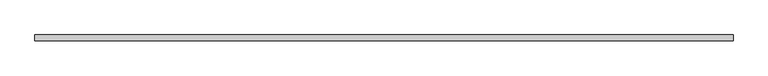
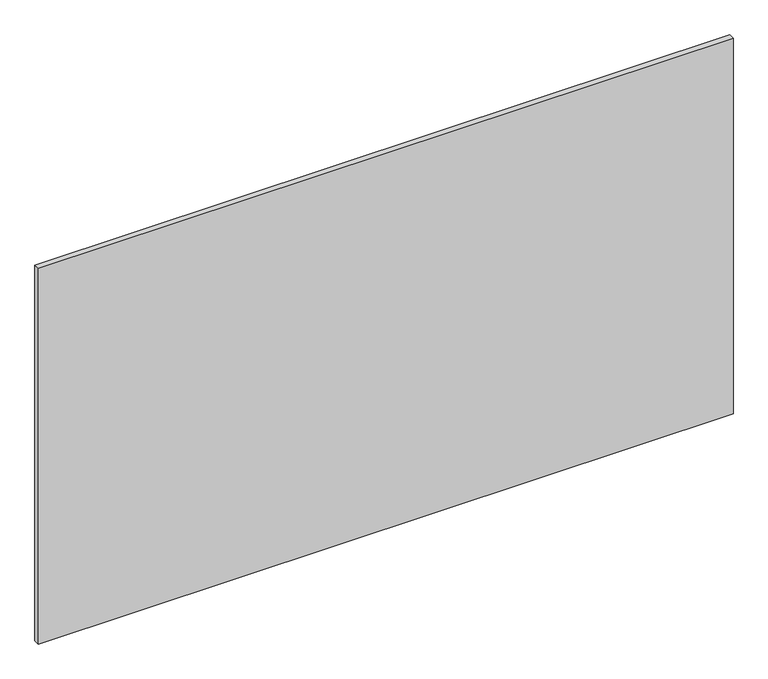
"""IFC4 building model written with IfcOpenShell, lengths in millimetres: plate geometry."""

import ifcopenshell
import ifcopenshell.guid

model = None  # the IFC model being written
_history = None  # IfcOwnerHistory: only IFC2X3 demands one
_inside = {}  # id of a spatial element -> (the spatial element, [elements in it])
_under = {}  # id of a project, library or spatial element -> (it, [spatial elements below it])
_declared = {}  # id of a project -> (the project, [libraries it declares])
_typed = {}  # id of a type object -> (the type object, [elements of that type])
_made_of = {}  # id of a material, layer set ... -> (it, [elements and type objects made of it])


def new_model(schema):
    """Start an empty IFC model of exactly this schema.

    Asked for "IFC4X3", IfcOpenShell would pick the latest addendum, in which some entities
    have other attributes; the version numbers below select the first issue.
    IFC2X3 requires an IfcOwnerHistory on every rooted entity: one is made here for all.
    """
    global model, _history
    if schema == "IFC4X3":
        model = ifcopenshell.file(schema_version=(4, 3, 0, 0))
    else:
        model = ifcopenshell.file(schema=schema)
    _inside.clear()
    _under.clear()
    _declared.clear()
    _typed.clear()
    _made_of.clear()
    _history = None
    if model.schema == "IFC2X3":
        org = make("IfcOrganization", Name="unknown")
        user = make(
            "IfcPersonAndOrganization",
            ThePerson=make("IfcPerson", FamilyName="unknown"),
            TheOrganization=org,
        )
        app = make(
            "IfcApplication",
            ApplicationDeveloper=org,
            Version="unknown",
            ApplicationFullName="unknown",
            ApplicationIdentifier="unknown",
        )
        _history = make(
            "IfcOwnerHistory",
            OwningUser=user,
            OwningApplication=app,
            ChangeAction="ADDED",
            CreationDate=0,
        )
    return model


def make(cls, **values):
    """One entity of the class cls with the attributes given. An attribute that is None is left unset."""
    return model.create_entity(
        cls, **{name: value for name, value in values.items() if value is not None}
    )


def rooted(cls, **values):
    """An entity with a GlobalId (a new one), such as an element, a storey or a relation."""
    return make(cls, GlobalId=ifcopenshell.guid.new(), OwnerHistory=_history, **values)


def si_unit(unit_type, name, prefix=None):
    """IfcSIUnit, for example si_unit("LENGTHUNIT", "METRE", prefix="MILLI")."""
    return make("IfcSIUnit", UnitType=unit_type, Prefix=prefix, Name=name)


def assignment(units):
    """IfcUnitAssignment: the units of a project."""
    return None if units is None else make("IfcUnitAssignment", Units=units)


def point(xyz):
    """IfcCartesianPoint."""
    return None if xyz is None else make("IfcCartesianPoint", Coordinates=xyz)


def direction(xyz):
    """IfcDirection."""
    return None if xyz is None else make("IfcDirection", DirectionRatios=xyz)


def frame(location, z_axis=None, x_axis=None):
    """IfcAxis2Placement3D, a coordinate frame: its origin and axes. An axis left out is left unset."""
    return make(
        "IfcAxis2Placement3D",
        Location=point(location),
        Axis=direction(z_axis),
        RefDirection=direction(x_axis),
    )


def origin():
    """The frame at (0, 0, 0) with its axes left unset."""
    return frame((0.0, 0.0, 0.0))


def origin_with_axes():
    """The frame at (0, 0, 0) with the z axis (0, 0, 1) and the x axis (1, 0, 0) written out."""
    return frame((0.0, 0.0, 0.0), z_axis=(0.0, 0.0, 1.0), x_axis=(1.0, 0.0, 0.0))


def place(relative_to, where):
    """IfcLocalPlacement: puts the frame where relative to a parent placement (None: the world)."""
    return make(
        "IfcLocalPlacement", PlacementRelTo=relative_to, RelativePlacement=where
    )


def context(
    kind, dimensions, precision=None, world=None, true_north=None, identifier=None
):
    """IfcGeometricRepresentationContext, for example the 3D "Model" context."""
    return make(
        "IfcGeometricRepresentationContext",
        ContextIdentifier=identifier,
        ContextType=kind,
        CoordinateSpaceDimension=dimensions,
        Precision=precision,
        WorldCoordinateSystem=world,
        TrueNorth=true_north,
    )


def project(units=None, contexts=None):
    """IfcProject with its units and contexts."""
    return rooted(
        "IfcProject",
        Name="project",
        RepresentationContexts=contexts,
        UnitsInContext=assignment(units),
    )


def spatial(cls, under=None, at=None, **own):
    """A site, building, storey or space (cls), placed at a placement, below another one or the project."""
    s = rooted(cls, ObjectPlacement=at, **own)
    if under is not None:
        _under.setdefault(under.id(), (under, []))[1].append(s)
    return s


def polyline(points):
    """IfcPolyline through the points."""
    return make("IfcPolyline", Points=[point(p) for p in points])


def outline(outer, holes=None, kind="AREA"):
    """IfcArbitraryClosedProfileDef: a profile drawn as a closed curve; with holes, ...WithVoids."""
    if holes is None:
        return make("IfcArbitraryClosedProfileDef", ProfileType=kind, OuterCurve=outer)
    return make(
        "IfcArbitraryProfileDefWithVoids",
        ProfileType=kind,
        OuterCurve=outer,
        InnerCurves=holes,
    )


def extrude(swept, where, along, depth):
    """IfcExtrudedAreaSolid: the profile swept, set in the frame where, extruded along a direction by depth."""
    return make(
        "IfcExtrudedAreaSolid",
        SweptArea=swept,
        Position=where,
        ExtrudedDirection=direction(along),
        Depth=depth,
    )


def shape(context_of_items, identifier, shape_type, items):
    """IfcShapeRepresentation: the items that make up one representation, for example the "Body"."""
    return make(
        "IfcShapeRepresentation",
        ContextOfItems=context_of_items,
        RepresentationIdentifier=identifier,
        RepresentationType=shape_type,
        Items=items,
    )


def source(mapping_origin, context_of_items, identifier, shape_type, items):
    """IfcRepresentationMap: a shape defined once, which mapped items show again and again."""
    return make(
        "IfcRepresentationMap",
        MappingOrigin=mapping_origin,
        MappedRepresentation=shape(context_of_items, identifier, shape_type, items),
    )


def transform(
    local_origin,
    x_axis=None,
    y_axis=None,
    z_axis=None,
    scale=None,
    scale2=None,
    scale3=None,
    uniform=True,
):
    """IfcCartesianTransformationOperator3D, or its non-uniform kind. x_axis, y_axis, z_axis: its Axis1, 2, 3."""
    if uniform:
        return make(
            "IfcCartesianTransformationOperator3D",
            Axis1=direction(x_axis),
            Axis2=direction(y_axis),
            LocalOrigin=point(local_origin),
            Scale=scale,
            Axis3=direction(z_axis),
        )
    return make(
        "IfcCartesianTransformationOperator3DnonUniform",
        Axis1=direction(x_axis),
        Axis2=direction(y_axis),
        LocalOrigin=point(local_origin),
        Scale=scale,
        Axis3=direction(z_axis),
        Scale2=scale2,
        Scale3=scale3,
    )


def mapped(mapping_source, mapping_target):
    """IfcMappedItem: shows the shape of a source again, moved by a transform."""
    return make(
        "IfcMappedItem", MappingSource=mapping_source, MappingTarget=mapping_target
    )


def made_of(thing, what):
    """Note that an element or type object is made of a material, layer set ...; save() writes the relation."""
    if what is not None:
        _made_of.setdefault(what.id(), (what, []))[1].append(thing)
    return thing


def element(
    cls,
    number,
    at=None,
    inside=None,
    cuts=None,
    type_object=None,
    material=None,
    context=None,
    identifier="Body",
    shape_type=None,
    held_by="IfcProductDefinitionShape",
    body=None,
    shapes=None,
    **own,
):
    """One element of the class cls, such as IfcWall. Its Tag is "e" and its number.

    at: its placement. inside: the storey or other place that contains it. cuts: it is an
    opening in that element (IfcRelVoidsElement). A single representation is given by context,
    identifier, shape_type and body (its items); several are given by shapes. held_by: the class
    of the entity that holds the representations. save() writes the other relations.
    """
    e = rooted(cls, Tag="e%d" % number, ObjectPlacement=at, **own)
    if body is not None:
        shapes = [shape(context, identifier, shape_type, body)]
    if shapes is not None:
        e.Representation = make(held_by, Representations=shapes)
    if inside is not None:
        _inside.setdefault(inside.id(), (inside, []))[1].append(e)
    if cuts is not None:
        rooted(
            "IfcRelVoidsElement", RelatingBuildingElement=cuts, RelatedOpeningElement=e
        )
    if type_object is not None:
        _typed.setdefault(type_object.id(), (type_object, []))[1].append(e)
    return made_of(e, material)


def aggregate(whole, parts):
    """IfcRelAggregates: a whole, such as a stair, and the parts it consists of."""
    return rooted("IfcRelAggregates", RelatingObject=whole, RelatedObjects=parts)


def save(model, path):
    """Write the relations noted so far, then the file.

    IfcRelAggregates (storeys below a building ...), IfcRelContainedInSpatialStructure (elements
    in a storey), IfcRelDefinesByType, IfcRelAssociatesMaterial and IfcRelDeclares: one each for
    every whole, place, type object, material and project.
    """
    for whole, parts in _under.values():
        aggregate(whole, parts)
    for where, things in _inside.values():
        rooted(
            "IfcRelContainedInSpatialStructure",
            RelatedElements=things,
            RelatingStructure=where,
        )
    for kind, things in _typed.values():
        rooted("IfcRelDefinesByType", RelatedObjects=things, RelatingType=kind)
    for what, things in _made_of.values():
        rooted("IfcRelAssociatesMaterial", RelatedObjects=things, RelatingMaterial=what)
    for by, libraries in _declared.values():
        rooted("IfcRelDeclares", RelatingContext=by, RelatedDefinitions=libraries)
    model.write(path)


def plate_7e7c109d(model_context):
    return source(origin(), model_context, "Body", "SweptSolid", [
        extrude(outline(polyline([(630.35, 5.2), (630.35, -5.2), (-630.35, -5.2), (-630.35, 5.2), (630.35, 5.2)])), origin_with_axes(), (0.0, 0.0, 1.0), 720.7),
    ])


if __name__ == "__main__":
    model = new_model("IFC4")
    model_context = context("Model", 3, world=origin())
    ifc_project = project(units=[si_unit("LENGTHUNIT", "METRE", prefix="MILLI")], contexts=[model_context])
    site = spatial("IfcSite", under=ifc_project)
    building = spatial("IfcBuilding", under=site)
    placement = place(None, origin())
    plate_shape = plate_7e7c109d(model_context)
    element("IfcPlate", 1, at=placement, inside=building, context=model_context, shape_type="MappedRepresentation", body=[
        mapped(plate_shape, transform((0.0, 0.0, 0.0), x_axis=(1.0, 0.0, 0.0), y_axis=(0.0, 1.0, 0.0), z_axis=(0.0, 0.0, 1.0))),
    ])
    save(model, "model.ifc")
